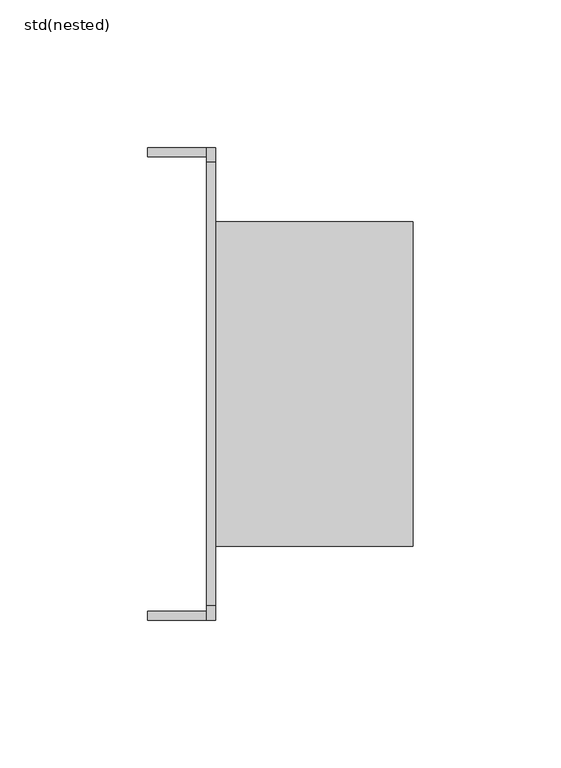
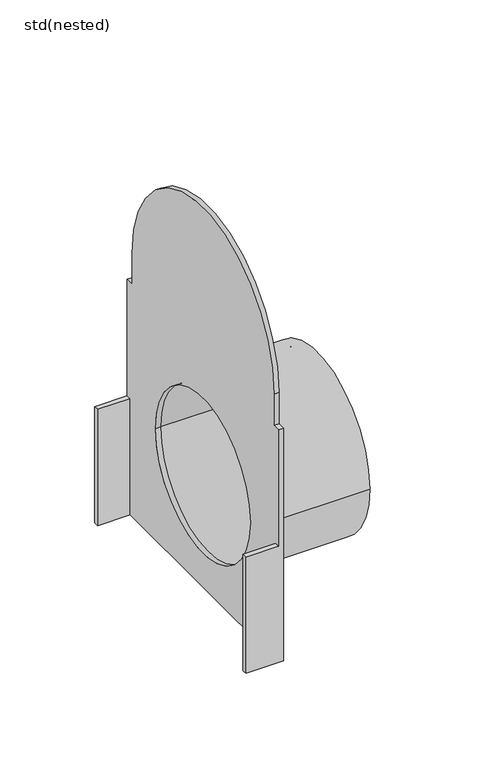
"""IFC4 building model written with IfcOpenShell, lengths in millimetres: sanitary terminal geometry, std(nested)."""

from ifc_helpers import new_model, si_unit, frame, origin, place, context, project, spatial, polyline, circle_curve, source, transform, mapped, element, save
from ifc_brep_helpers import plane_surface, cylinder_surface, revolved_surface, advanced_brep


def std_nested_2caeacf1(model_context):
    return source(origin(), model_context, "Body", "AdvancedBrep", [
        advanced_brep(
        [(3.0, 80.0, -245.0), (3.0, 80.0, -95.0), (3.0, 75.0, -95.0), (3.0, 75.0, -75.0), (3.0, -75.0, -75.0), (3.0, -75.0, -95.0), (3.0, -80.0, -95.0), (3.0, -80.0, -245.0), (3.0, 55.0, -173.0), (3.0, -55.0, -173.0), (0.0, -80.0, -95.0), (0.0, -75.0, -95.0), (0.0, -75.0, -75.0), (0.0, 75.0, -75.0), (0.0, 75.0, -95.0), (0.0, 80.0, -95.0), (0.0, 80.0, -170.0), (0.0, 77.0, -170.0), (0.0, 77.0, -245.0), (0.0, -77.0, -245.0), (0.0, -77.0, -170.0), (0.0, -80.0, -170.0), (0.0, -50.0, -173.0), (0.0, 50.0, -173.0), (-20.0, -80.0, -245.0), (-20.0, -77.0, -245.0), (-20.0, 77.0, -245.0), (-20.0, 80.0, -245.0), (-20.0, -80.0, -170.0), (3.0, 50.0, -173.0), (3.0, -50.0, -173.0), (70.0, -55.0, -173.0), (70.0, 55.0, -173.0), (70.0, -50.0, -173.0), (70.0, 50.0, -173.0), (-20.0, 77.0, -170.0), (-20.0, 80.0, -170.0), (-20.0, -77.0, -170.0)],
        [
            (0, 1),
            (1, 2),
            (2, 3),
            (3, 4, circle_curve(frame((3.0, 0.0, -75.0), z_axis=(1.0, 0.0, 0.0), x_axis=(0.0, 1.0, 0.0)), 75.0)),
            (4, 5),
            (5, 6),
            (6, 7),
            (7, 0),
            (8, 9, circle_curve(frame((3.0, 0.0, -173.0), z_axis=(-1.0, 0.0, 0.0), x_axis=(0.0, 1.0, 0.0)), 55.0)),
            (9, 8, circle_curve(frame((3.0, 0.0, -173.0), z_axis=(-1.0, 0.0, 0.0), x_axis=(0.0, 1.0, 0.0)), 55.0)),
            (10, 11),
            (11, 12),
            (12, 13, circle_curve(frame((0.0, 0.0, -75.0), z_axis=(-1.0, 0.0, 0.0), x_axis=(0.0, 1.0, 0.0)), 75.0)),
            (13, 14),
            (14, 15),
            (15, 16),
            (16, 17),
            (17, 18),
            (18, 19),
            (19, 20),
            (20, 21),
            (21, 10),
            (22, 23, circle_curve(frame((0.0, 0.0, -173.0), z_axis=(1.0, 0.0, 0.0), x_axis=(0.0, 1.0, 0.0)), 50.0)),
            (23, 22, circle_curve(frame((0.0, 0.0, -173.0), z_axis=(1.0, 0.0, 0.0), x_axis=(0.0, 1.0, 0.0)), 50.0)),
            (7, 24),
            (24, 25),
            (25, 19),
            (18, 26),
            (26, 27),
            (27, 0),
            (1, 15),
            (14, 2),
            (13, 3),
            (12, 4),
            (11, 5),
            (10, 6),
            (21, 28),
            (28, 24),
            (23, 29),
            (29, 30, circle_curve(frame((3.0, 0.0, -173.0), z_axis=(1.0, 0.0, 0.0), x_axis=(0.0, 1.0, 0.0)), 50.0)),
            (30, 22),
            (30, 29, circle_curve(frame((3.0, 0.0, -173.0), z_axis=(1.0, 0.0, 0.0), x_axis=(0.0, 1.0, 0.0)), 50.0)),
            (31, 32, circle_curve(frame((70.0, 0.0, -173.0), z_axis=(1.0, 0.0, 0.0), x_axis=(0.0, 1.0, 0.0)), 55.0)),
            (32, 31, circle_curve(frame((70.0, 0.0, -173.0), z_axis=(1.0, 0.0, 0.0), x_axis=(0.0, 1.0, 0.0)), 55.0)),
            (33, 34, circle_curve(frame((70.0, 0.0, -173.0), z_axis=(-1.0, 0.0, 0.0), x_axis=(0.0, 1.0, 0.0)), 50.0)),
            (34, 33, circle_curve(frame((70.0, 0.0, -173.0), z_axis=(-1.0, 0.0, 0.0), x_axis=(0.0, 1.0, 0.0)), 50.0)),
            (35, 36),
            (36, 27),
            (26, 35),
            (37, 25),
            (28, 37),
            (17, 35),
            (16, 36),
            (20, 37),
            (34, 29),
            (30, 33),
            (31, 9),
            (8, 32),
        ],
        [
            plane_surface(frame((3.0, 80.0, -95.0), z_axis=(1.0, 0.0, 0.0), x_axis=(0.0, 0.0, 1.0))),
            plane_surface(frame((0.0, 80.0, -95.0), z_axis=(-1.0, 0.0, 0.0), x_axis=(0.0, 0.0, -1.0))),
            plane_surface(frame((3.0, -80.0, -245.0), z_axis=(0.0, 0.0, -1.0), x_axis=(-1.0, 0.0, 0.0))),
            plane_surface(frame((3.0, 80.0, -95.0), z_axis=(0.0, 0.0, 1.0), x_axis=(-1.0, 0.0, 0.0))),
            plane_surface(frame((3.0, 75.0, -95.0), z_axis=(0.0, 1.0, 0.0), x_axis=(-1.0, 0.0, 0.0))),
            cylinder_surface(frame((0.0, 0.0, -75.0), z_axis=(1.0, 0.0, 0.0), x_axis=(0.0, 1.0, 0.0)), 75.0),
            plane_surface(frame((3.0, -75.0, -75.0), z_axis=(0.0, -1.0, 0.0), x_axis=(-1.0, 0.0, 0.0))),
            plane_surface(frame((3.0, -75.0, -95.0), z_axis=(0.0, 0.0, 1.0), x_axis=(-1.0, 0.0, 0.0))),
            plane_surface(frame((3.0, -80.0, -95.0), z_axis=(0.0, -1.0, 0.0), x_axis=(-1.0, 0.0, 0.0))),
            revolved_surface(polyline([(0.0, 50.0, -173.0), (3.0, 50.0, -173.0)]), (0.0, 0.0, -173.0), (-1.0, 0.0, 0.0)),
            plane_surface(frame((70.0, 50.0, -173.0), z_axis=(1.0, 0.0, 0.0), x_axis=(0.0, 0.0, -1.0))),
            plane_surface(frame((-20.0, 77.0, -170.0), z_axis=(-1.0, 0.0, 0.0), x_axis=(0.0, 0.0, 1.0))),
            plane_surface(frame((0.0, 77.0, -170.0), z_axis=(0.0, -1.0, 0.0), x_axis=(-1.0, 0.0, 0.0))),
            plane_surface(frame((0.0, 80.0, -170.0), z_axis=(0.0, 0.0, 1.0), x_axis=(-1.0, 0.0, 0.0))),
            plane_surface(frame((0.0, -77.0, -170.0), z_axis=(0.0, 0.0, 1.0), x_axis=(-1.0, 0.0, 0.0))),
            plane_surface(frame((0.0, -77.0, -245.0), z_axis=(0.0, 1.0, 0.0), x_axis=(-1.0, 0.0, 0.0))),
            plane_surface(frame((3.0, 80.0, -245.0), z_axis=(0.0, 1.0, 0.0), x_axis=(-1.0, 0.0, 0.0))),
            revolved_surface(polyline([(3.0, 50.0, -173.0), (70.0, 50.0, -173.0)]), (0.0, 0.0, -173.0), (-1.0, 0.0, 0.0)),
            cylinder_surface(frame((0.0, 0.0, -173.0), z_axis=(1.0, 0.0, 0.0), x_axis=(0.0, 1.0, 0.0)), 55.0),
        ],
        [
            (0, [[1, 2, 3, 4, 5, 6, 7, 8], [9, 10]]),
            (1, [[11, 12, 13, 14, 15, 16, 17, 18, 19, 20, 21, 22], [23, 24]]),
            (2, [[-8, 25, 26, 27, -19, 28, 29, 30]]),
            (3, [[-2, 31, -15, 32]]),
            (4, [[-3, -32, -14, 33]]),
            (5, [[-4, -33, -13, 34]]),
            (6, [[-5, -34, -12, 35]]),
            (7, [[-6, -35, -11, 36]]),
            (8, [[-25, -7, -36, -22, 37, 38]]),
            (9, [[-24, 39, 40, 41]]),
            (9, [[-23, -41, 42, -39]]),
            (10, [[43, 44], [45, 46]]),
            (11, [[47, 48, -29, 49]]),
            (11, [[50, -26, -38, 51]]),
            (12, [[-49, -28, -18, 52]]),
            (13, [[-47, -52, -17, 53]]),
            (14, [[-51, -37, -21, 54]]),
            (15, [[-50, -54, -20, -27]]),
            (16, [[-1, -30, -48, -53, -16, -31]]),
            (17, [[-46, 55, -42, 56]]),
            (17, [[-45, -56, -40, -55]]),
            (18, [[-43, 57, -9, 58]]),
            (18, [[-44, -58, -10, -57]]),
        ],
    ),
    ])


if __name__ == "__main__":
    model = new_model("IFC4")
    model_context = context("Model", 3, world=origin())
    ifc_project = project(units=[si_unit("LENGTHUNIT", "METRE", prefix="MILLI")], contexts=[model_context])
    site = spatial("IfcSite", under=ifc_project)
    building = spatial("IfcBuilding", under=site)
    placement = place(None, origin())
    std_nested_shape = std_nested_2caeacf1(model_context)
    element("IfcSanitaryTerminal", 1, ObjectType="std(nested)", at=placement, inside=building, context=model_context, shape_type="MappedRepresentation", body=[
        mapped(std_nested_shape, transform((0.0, 0.0, 0.0), x_axis=(1.0, 0.0, 0.0), y_axis=(0.0, 1.0, 0.0), z_axis=(0.0, 0.0, 1.0))),
    ])
    save(model, "model.ifc")
